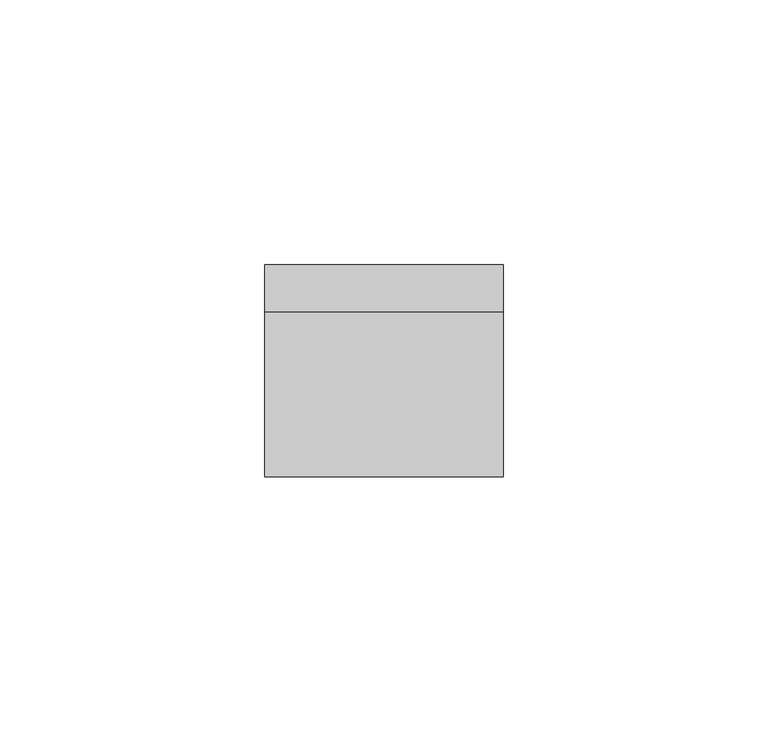
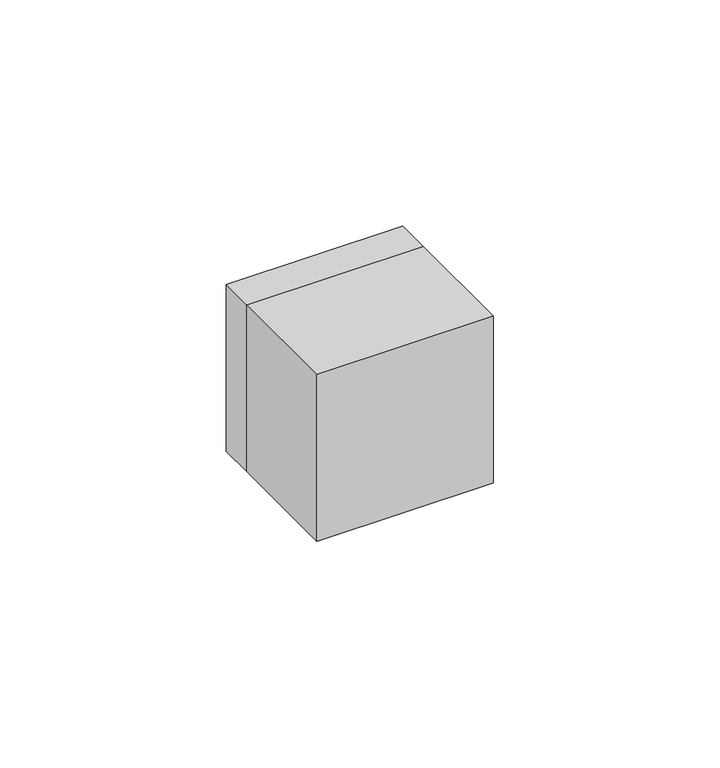
"""IFC4 building model written with IfcOpenShell, lengths in millimetres: electric appliance geometry."""

from ifc_helpers import new_model, si_unit, frame, origin, place, context, project, spatial, polyline, outline, extrude, source, transform, mapped, element, save


def electric_appliance_f5176c7e(model_context):
    return source(origin(), model_context, "Body", "SweptSolid", [
        extrude(outline(polyline([(5.25, 0.0), (-5.25, 0.0), (-5.25, 9.0), (5.25, 9.0), (5.25, 0.0)])), frame((0.0, 0.0, -11.19), z_axis=(0.0, 0.0, 1.0), x_axis=(1.0, 0.0, 0.0)), (0.0, 0.0, 1.0), 1.5),
        extrude(outline(polyline([(5.25, 0.0), (-5.25, 0.0), (-5.25, 9.0), (5.25, 9.0), (5.25, 0.0)])), frame((0.0, 0.0, 11.31), z_axis=(0.0, 0.0, 1.0), x_axis=(1.0, 0.0, 0.0)), (0.0, 0.0, 1.0), 1.5),
        extrude(outline(polyline([(22.5, -31.0), (-22.5, -31.0), (-22.5, 0.0), (22.5, 0.0), (22.5, -31.0)])), frame((0.0, 0.0, -22.5), z_axis=(0.0, 0.0, 1.0), x_axis=(1.0, 0.0, 0.0)), (0.0, 0.0, 1.0), 45.0),
        extrude(outline(polyline([(22.5, 22.5), (22.5, -22.5), (-22.5, -22.5), (-22.5, 22.5), (22.5, 22.5)]), holes=[polyline([(8.69, -6.25), (13.81, -6.25), (13.81, 6.25), (8.69, 6.25), (8.69, -6.25)]), polyline([(-13.81, -6.25), (-8.69, -6.25), (-8.69, 6.25), (-13.81, 6.25), (-13.81, -6.25)])]), frame((0.0, 0.0, 0.0), z_axis=(0.0, 1.0, 0.0), x_axis=(0.0, 0.0, 1.0)), (0.0, 0.0, 1.0), 9.0),
    ])


if __name__ == "__main__":
    model = new_model("IFC4")
    model_context = context("Model", 3, world=origin())
    ifc_project = project(units=[si_unit("LENGTHUNIT", "METRE", prefix="MILLI")], contexts=[model_context])
    site = spatial("IfcSite", under=ifc_project)
    building = spatial("IfcBuilding", under=site)
    placement = place(None, origin())
    electric_appliance_shape = electric_appliance_f5176c7e(model_context)
    element("IfcElectricAppliance", 1, at=placement, inside=building, context=model_context, shape_type="MappedRepresentation", body=[
        mapped(electric_appliance_shape, transform((0.0, 0.0, 0.0), x_axis=(1.0, 0.0, 0.0), y_axis=(0.0, 1.0, 0.0), z_axis=(0.0, 0.0, 1.0))),
    ])
    save(model, "model.ifc")
